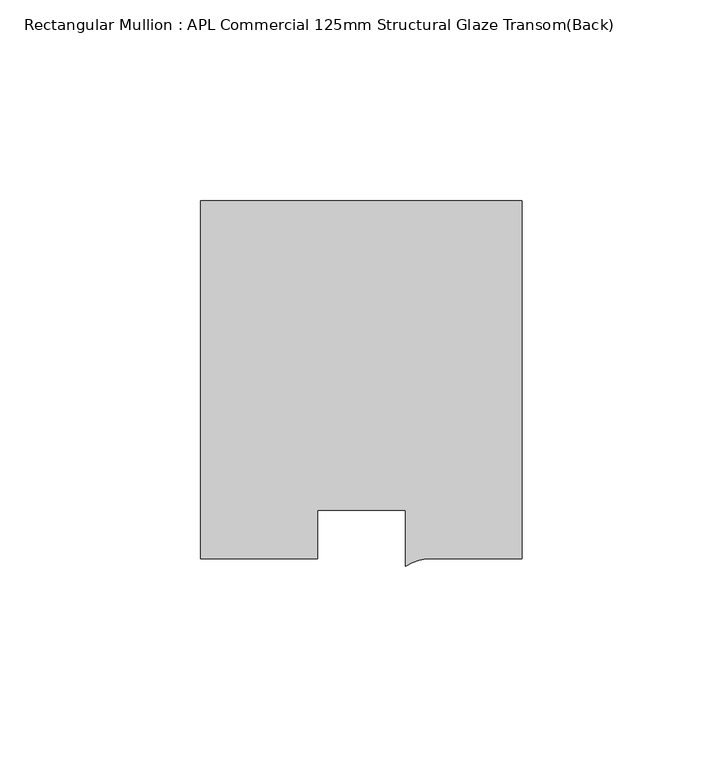
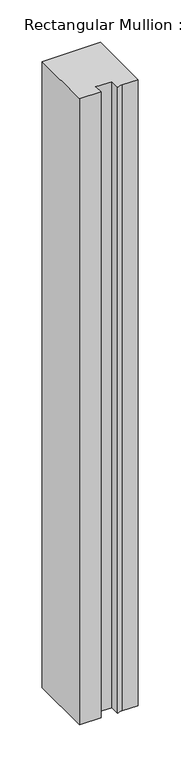
"""IFC4 building model written with IfcOpenShell, lengths in millimetres: member geometry, Rectangular Mullion : APL Commercial 125mm Structural Glaze Transom(Back)."""

from ifc_helpers import new_model, si_unit, point, frame, frame_2d, origin, place, context, project, spatial, polyline, circle_curve, trimmed, segment, composite_curve, outline, extrude, source, transform, mapped, element, save


def rectangular_mullion_apl_commercial_125mm_structural_glaze_9af5b178(model_context):
    return source(origin(), model_context, "Body", "SweptSolid", [
        extrude(outline(composite_curve([segment(polyline([(40.0, 104.0), (40.0, 15.0000829), (17.9999542, 15.0000829)]), True, "CONTINUOUS"), segment(trimmed(circle_curve(frame_2d((17.1097719, 4.581653)), 10.4563907), [point((17.9999542, 15.0000829))], [point((11.0000151, 13.0673455))], True, "CARTESIAN"), True, "CONTINUOUS"), segment(polyline([(11.0000151, 13.0673455), (11.0000151, 27.0), (-11.0000151, 27.0), (-11.0000151, 15.0000829), (-40.0, 15.0000829), (-40.0, 104.0), (40.0, 104.0)]), True, "CONTINUOUS")], self_intersect=False)), frame((0.0, 0.0, -904.6388667), z_axis=(0.0, 0.0, 1.0), x_axis=(1.0, 0.0, 0.0)), (0.0, 0.0, 1.0), 904.6388667),
    ])


if __name__ == "__main__":
    model = new_model("IFC4")
    model_context = context("Model", 3, world=origin())
    ifc_project = project(units=[si_unit("LENGTHUNIT", "METRE", prefix="MILLI")], contexts=[model_context])
    site = spatial("IfcSite", under=ifc_project)
    building = spatial("IfcBuilding", under=site)
    placement = place(None, origin())
    rectangular_mullion_apl_commercial_125mm_structural_glaze_shape = rectangular_mullion_apl_commercial_125mm_structural_glaze_9af5b178(model_context)
    element("IfcMember", 1, ObjectType="Rectangular Mullion : APL Commercial 125mm Structural Glaze Transom(Back)", at=placement, inside=building, context=model_context, shape_type="MappedRepresentation", body=[
        mapped(rectangular_mullion_apl_commercial_125mm_structural_glaze_shape, transform((0.0, 0.0, 0.0), x_axis=(1.0, 0.0, 0.0), y_axis=(0.0, 1.0, 0.0), z_axis=(0.0, 0.0, 1.0))),
    ])
    save(model, "model.ifc")
